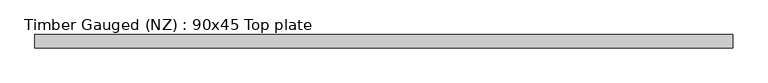
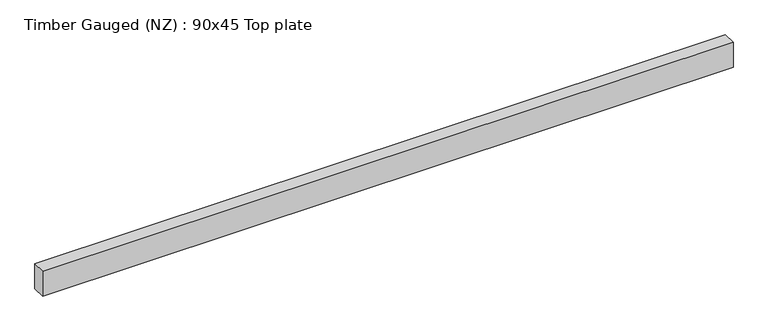
"""IFC4 building model written with IfcOpenShell, lengths in millimetres: beam geometry, Timber Gauged (NZ) : 90x45 Top plate."""

import ifcopenshell
import ifcopenshell.guid

model = None  # the IFC model being written
_history = None  # IfcOwnerHistory: only IFC2X3 demands one
_inside = {}  # id of a spatial element -> (the spatial element, [elements in it])
_under = {}  # id of a project, library or spatial element -> (it, [spatial elements below it])
_declared = {}  # id of a project -> (the project, [libraries it declares])
_typed = {}  # id of a type object -> (the type object, [elements of that type])
_made_of = {}  # id of a material, layer set ... -> (it, [elements and type objects made of it])


def new_model(schema):
    """Start an empty IFC model of exactly this schema.

    Asked for "IFC4X3", IfcOpenShell would pick the latest addendum, in which some entities
    have other attributes; the version numbers below select the first issue.
    IFC2X3 requires an IfcOwnerHistory on every rooted entity: one is made here for all.
    """
    global model, _history
    if schema == "IFC4X3":
        model = ifcopenshell.file(schema_version=(4, 3, 0, 0))
    else:
        model = ifcopenshell.file(schema=schema)
    _inside.clear()
    _under.clear()
    _declared.clear()
    _typed.clear()
    _made_of.clear()
    _history = None
    if model.schema == "IFC2X3":
        org = make("IfcOrganization", Name="unknown")
        user = make(
            "IfcPersonAndOrganization",
            ThePerson=make("IfcPerson", FamilyName="unknown"),
            TheOrganization=org,
        )
        app = make(
            "IfcApplication",
            ApplicationDeveloper=org,
            Version="unknown",
            ApplicationFullName="unknown",
            ApplicationIdentifier="unknown",
        )
        _history = make(
            "IfcOwnerHistory",
            OwningUser=user,
            OwningApplication=app,
            ChangeAction="ADDED",
            CreationDate=0,
        )
    return model


def make(cls, **values):
    """One entity of the class cls with the attributes given. An attribute that is None is left unset."""
    return model.create_entity(
        cls, **{name: value for name, value in values.items() if value is not None}
    )


def rooted(cls, **values):
    """An entity with a GlobalId (a new one), such as an element, a storey or a relation."""
    return make(cls, GlobalId=ifcopenshell.guid.new(), OwnerHistory=_history, **values)


def si_unit(unit_type, name, prefix=None):
    """IfcSIUnit, for example si_unit("LENGTHUNIT", "METRE", prefix="MILLI")."""
    return make("IfcSIUnit", UnitType=unit_type, Prefix=prefix, Name=name)


def assignment(units):
    """IfcUnitAssignment: the units of a project."""
    return None if units is None else make("IfcUnitAssignment", Units=units)


def point(xyz):
    """IfcCartesianPoint."""
    return None if xyz is None else make("IfcCartesianPoint", Coordinates=xyz)


def direction(xyz):
    """IfcDirection."""
    return None if xyz is None else make("IfcDirection", DirectionRatios=xyz)


def frame(location, z_axis=None, x_axis=None):
    """IfcAxis2Placement3D, a coordinate frame: its origin and axes. An axis left out is left unset."""
    return make(
        "IfcAxis2Placement3D",
        Location=point(location),
        Axis=direction(z_axis),
        RefDirection=direction(x_axis),
    )


def origin():
    """The frame at (0, 0, 0) with its axes left unset."""
    return frame((0.0, 0.0, 0.0))


def place(relative_to, where):
    """IfcLocalPlacement: puts the frame where relative to a parent placement (None: the world)."""
    return make(
        "IfcLocalPlacement", PlacementRelTo=relative_to, RelativePlacement=where
    )


def context(
    kind, dimensions, precision=None, world=None, true_north=None, identifier=None
):
    """IfcGeometricRepresentationContext, for example the 3D "Model" context."""
    return make(
        "IfcGeometricRepresentationContext",
        ContextIdentifier=identifier,
        ContextType=kind,
        CoordinateSpaceDimension=dimensions,
        Precision=precision,
        WorldCoordinateSystem=world,
        TrueNorth=true_north,
    )


def project(units=None, contexts=None):
    """IfcProject with its units and contexts."""
    return rooted(
        "IfcProject",
        Name="project",
        RepresentationContexts=contexts,
        UnitsInContext=assignment(units),
    )


def spatial(cls, under=None, at=None, **own):
    """A site, building, storey or space (cls), placed at a placement, below another one or the project."""
    s = rooted(cls, ObjectPlacement=at, **own)
    if under is not None:
        _under.setdefault(under.id(), (under, []))[1].append(s)
    return s


def polyline(points):
    """IfcPolyline through the points."""
    return make("IfcPolyline", Points=[point(p) for p in points])


def outline(outer, holes=None, kind="AREA"):
    """IfcArbitraryClosedProfileDef: a profile drawn as a closed curve; with holes, ...WithVoids."""
    if holes is None:
        return make("IfcArbitraryClosedProfileDef", ProfileType=kind, OuterCurve=outer)
    return make(
        "IfcArbitraryProfileDefWithVoids",
        ProfileType=kind,
        OuterCurve=outer,
        InnerCurves=holes,
    )


def extrude(swept, where, along, depth):
    """IfcExtrudedAreaSolid: the profile swept, set in the frame where, extruded along a direction by depth."""
    return make(
        "IfcExtrudedAreaSolid",
        SweptArea=swept,
        Position=where,
        ExtrudedDirection=direction(along),
        Depth=depth,
    )


def shape(context_of_items, identifier, shape_type, items):
    """IfcShapeRepresentation: the items that make up one representation, for example the "Body"."""
    return make(
        "IfcShapeRepresentation",
        ContextOfItems=context_of_items,
        RepresentationIdentifier=identifier,
        RepresentationType=shape_type,
        Items=items,
    )


def source(mapping_origin, context_of_items, identifier, shape_type, items):
    """IfcRepresentationMap: a shape defined once, which mapped items show again and again."""
    return make(
        "IfcRepresentationMap",
        MappingOrigin=mapping_origin,
        MappedRepresentation=shape(context_of_items, identifier, shape_type, items),
    )


def transform(
    local_origin,
    x_axis=None,
    y_axis=None,
    z_axis=None,
    scale=None,
    scale2=None,
    scale3=None,
    uniform=True,
):
    """IfcCartesianTransformationOperator3D, or its non-uniform kind. x_axis, y_axis, z_axis: its Axis1, 2, 3."""
    if uniform:
        return make(
            "IfcCartesianTransformationOperator3D",
            Axis1=direction(x_axis),
            Axis2=direction(y_axis),
            LocalOrigin=point(local_origin),
            Scale=scale,
            Axis3=direction(z_axis),
        )
    return make(
        "IfcCartesianTransformationOperator3DnonUniform",
        Axis1=direction(x_axis),
        Axis2=direction(y_axis),
        LocalOrigin=point(local_origin),
        Scale=scale,
        Axis3=direction(z_axis),
        Scale2=scale2,
        Scale3=scale3,
    )


def mapped(mapping_source, mapping_target):
    """IfcMappedItem: shows the shape of a source again, moved by a transform."""
    return make(
        "IfcMappedItem", MappingSource=mapping_source, MappingTarget=mapping_target
    )


def made_of(thing, what):
    """Note that an element or type object is made of a material, layer set ...; save() writes the relation."""
    if what is not None:
        _made_of.setdefault(what.id(), (what, []))[1].append(thing)
    return thing


def element(
    cls,
    number,
    at=None,
    inside=None,
    cuts=None,
    type_object=None,
    material=None,
    context=None,
    identifier="Body",
    shape_type=None,
    held_by="IfcProductDefinitionShape",
    body=None,
    shapes=None,
    **own,
):
    """One element of the class cls, such as IfcWall. Its Tag is "e" and its number.

    at: its placement. inside: the storey or other place that contains it. cuts: it is an
    opening in that element (IfcRelVoidsElement). A single representation is given by context,
    identifier, shape_type and body (its items); several are given by shapes. held_by: the class
    of the entity that holds the representations. save() writes the other relations.
    """
    e = rooted(cls, Tag="e%d" % number, ObjectPlacement=at, **own)
    if body is not None:
        shapes = [shape(context, identifier, shape_type, body)]
    if shapes is not None:
        e.Representation = make(held_by, Representations=shapes)
    if inside is not None:
        _inside.setdefault(inside.id(), (inside, []))[1].append(e)
    if cuts is not None:
        rooted(
            "IfcRelVoidsElement", RelatingBuildingElement=cuts, RelatedOpeningElement=e
        )
    if type_object is not None:
        _typed.setdefault(type_object.id(), (type_object, []))[1].append(e)
    return made_of(e, material)


def aggregate(whole, parts):
    """IfcRelAggregates: a whole, such as a stair, and the parts it consists of."""
    return rooted("IfcRelAggregates", RelatingObject=whole, RelatedObjects=parts)


def save(model, path):
    """Write the relations noted so far, then the file.

    IfcRelAggregates (storeys below a building ...), IfcRelContainedInSpatialStructure (elements
    in a storey), IfcRelDefinesByType, IfcRelAssociatesMaterial and IfcRelDeclares: one each for
    every whole, place, type object, material and project.
    """
    for whole, parts in _under.values():
        aggregate(whole, parts)
    for where, things in _inside.values():
        rooted(
            "IfcRelContainedInSpatialStructure",
            RelatedElements=things,
            RelatingStructure=where,
        )
    for kind, things in _typed.values():
        rooted("IfcRelDefinesByType", RelatedObjects=things, RelatingType=kind)
    for what, things in _made_of.values():
        rooted("IfcRelAssociatesMaterial", RelatedObjects=things, RelatingMaterial=what)
    for by, libraries in _declared.values():
        rooted("IfcRelDeclares", RelatingContext=by, RelatedDefinitions=libraries)
    model.write(path)


def timber_gauged_nz_90x45_top_plate_1db63676(model_context):
    return source(origin(), model_context, "Body", "SweptSolid", [
        extrude(outline(polyline([(1180.0, 22.5), (1180.0, -22.5), (-1180.0, -22.5), (-1180.0, 22.5), (1180.0, 22.5)])), frame((0.0, 0.0, -45.0), z_axis=(0.0, 0.0, 1.0), x_axis=(1.0, 0.0, 0.0)), (0.0, 0.0, 1.0), 90.0),
    ])


if __name__ == "__main__":
    model = new_model("IFC4")
    model_context = context("Model", 3, world=origin())
    ifc_project = project(units=[si_unit("LENGTHUNIT", "METRE", prefix="MILLI")], contexts=[model_context])
    site = spatial("IfcSite", under=ifc_project)
    building = spatial("IfcBuilding", under=site)
    placement = place(None, origin())
    timber_gauged_nz_90x45_top_plate_shape = timber_gauged_nz_90x45_top_plate_1db63676(model_context)
    element("IfcBeam", 1, ObjectType="Timber Gauged (NZ) : 90x45 Top plate", at=placement, inside=building, context=model_context, shape_type="MappedRepresentation", body=[
        mapped(timber_gauged_nz_90x45_top_plate_shape, transform((0.0, 0.0, 0.0), x_axis=(1.0, 0.0, 0.0), y_axis=(0.0, 1.0, 0.0), z_axis=(0.0, 0.0, 1.0))),
    ])
    save(model, "model.ifc")
